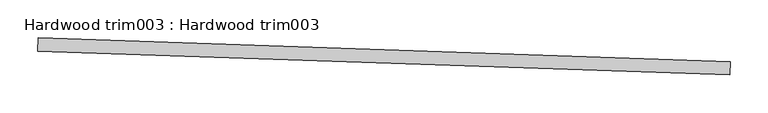
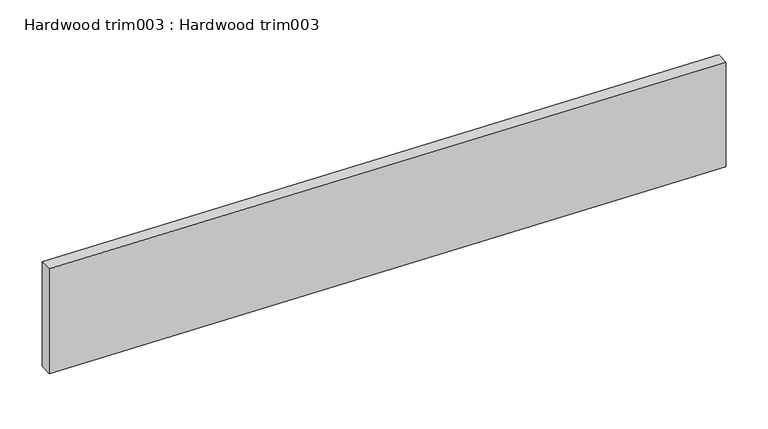
"""IFC4 building model written with IfcOpenShell, lengths in millimetres: proxy geometry, Hardwood trim003 : Hardwood trim003."""

from ifc_helpers import new_model, si_unit, frame, origin, place, context, project, spatial, polyline, outline, extrude, source, transform, mapped, element, save


def hardwood_trim003_hardwood_trim003_15b945ae(model_context):
    return source(origin(), model_context, "Body", "SweptSolid", [
        extrude(outline(polyline([(33429.0987715, -15778.5050929), (33429.6940955, -15761.1090469), (34343.5588691, -15792.3831474), (34342.963545, -15809.7791935), (33429.0987715, -15778.5050929)])), frame((0.0, 0.0, 169.6078186), z_axis=(0.0, 0.0, 1.0), x_axis=(1.0, 0.0, 0.0)), (0.0, 0.0, 1.0), 152.4),
    ])


if __name__ == "__main__":
    model = new_model("IFC4")
    model_context = context("Model", 3, world=origin())
    ifc_project = project(units=[si_unit("LENGTHUNIT", "METRE", prefix="MILLI")], contexts=[model_context])
    site = spatial("IfcSite", under=ifc_project)
    building = spatial("IfcBuilding", under=site)
    placement = place(None, origin())
    hardwood_trim003_hardwood_trim003_shape = hardwood_trim003_hardwood_trim003_15b945ae(model_context)
    element("IfcBuildingElementProxy", 1, Name="Hardwood trim003 : Hardwood trim003", ObjectType="Hardwood trim003 : Hardwood trim003", at=placement, inside=building, context=model_context, shape_type="MappedRepresentation", body=[
        mapped(hardwood_trim003_hardwood_trim003_shape, transform((0.0, 0.0, 0.0), x_axis=(1.0, 0.0, 0.0), y_axis=(0.0, 1.0, 0.0), z_axis=(0.0, 0.0, 1.0))),
    ])
    save(model, "model.ifc")
